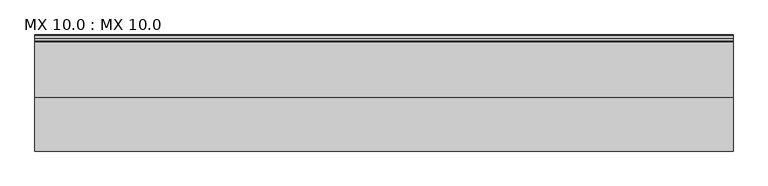
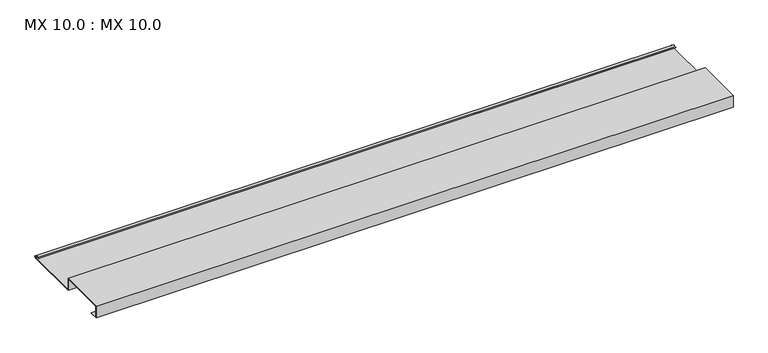
"""IFC4 building model written with IfcOpenShell, lengths in millimetres: proxy geometry, MX 10.0 : MX 10.0."""

from ifc_helpers import new_model, si_unit, point, frame, frame_2d, origin, place, context, project, spatial, polyline, circle_curve, trimmed, segment, composite_curve, outline, extrude, source, transform, mapped, element, save


def mx_10_0_mx_10_0_7376a528(model_context):
    return source(origin(), model_context, "Body", "SweptSolid", [
        extrude(outline(composite_curve([segment(polyline([(0.0, 0.0), (0.0, 38.0), (150.0, 38.0), (150.0, 0.0), (325.0510156, 0.0)]), True, "CONTINUOUS"), segment(trimmed(circle_curve(frame_2d((324.3094696, 1.9153551)), 2.0538928), [point((325.0510156, 0.0))], [point((325.1748462, 3.778041))], True, "CARTESIAN"), True, "CONTINUOUS"), segment(polyline([(325.1748462, 3.778041), (308.7874714, 6.923107)]), True, "CONTINUOUS"), segment(trimmed(circle_curve(frame_2d((309.4078886, 8.6005442)), 1.7884947), [point((308.7874714, 6.923107))], [point((308.9525789, 10.3301125))], False, "CARTESIAN"), True, "CONTINUOUS"), segment(polyline([(308.9525789, 10.3301125), (316.459338, 11.6715995), (316.635255, 10.6871945), (309.1762081, 9.3542338)]), True, "CONTINUOUS"), segment(trimmed(circle_curve(frame_2d((309.4078886, 8.6005442)), 0.7884947), [point((309.1762081, 9.3542338))], [point((309.0735117, 7.8864603))], True, "CARTESIAN"), True, "CONTINUOUS"), segment(polyline([(309.0735117, 7.8864603), (325.4722719, 4.7392091)]), True, "CONTINUOUS"), segment(trimmed(circle_curve(frame_2d((324.3094696, 1.9153551)), 3.0538928), [point((325.4722719, 4.7392091))], [point((325.2188462, -1.0))], False, "CARTESIAN"), True, "CONTINUOUS"), segment(polyline([(325.2188462, -1.0), (149.0, -1.0), (149.0, 37.0), (1.0, 37.0), (1.0, 1.0), (25.0, 1.0), (25.0, 0.0), (0.0, 0.0)]), True, "CONTINUOUS")], self_intersect=False)), frame((0.0, 0.0, 0.0), z_axis=(1.0, 0.0, 0.0), x_axis=(0.0, 1.0, 0.0)), (0.0, 0.0, 1.0), 1968.5604387),
    ])


if __name__ == "__main__":
    model = new_model("IFC4")
    model_context = context("Model", 3, world=origin())
    ifc_project = project(units=[si_unit("LENGTHUNIT", "METRE", prefix="MILLI")], contexts=[model_context])
    site = spatial("IfcSite", under=ifc_project)
    building = spatial("IfcBuilding", under=site)
    placement = place(None, origin())
    mx_10_0_mx_10_0_shape = mx_10_0_mx_10_0_7376a528(model_context)
    element("IfcBuildingElementProxy", 1, Name="MX 10.0 : MX 10.0", ObjectType="MX 10.0 : MX 10.0", at=placement, inside=building, context=model_context, shape_type="MappedRepresentation", body=[
        mapped(mx_10_0_mx_10_0_shape, transform((0.0, 0.0, 0.0), x_axis=(1.0, 0.0, 0.0), y_axis=(0.0, 1.0, 0.0), z_axis=(0.0, 0.0, 1.0))),
    ])
    save(model, "model.ifc")
